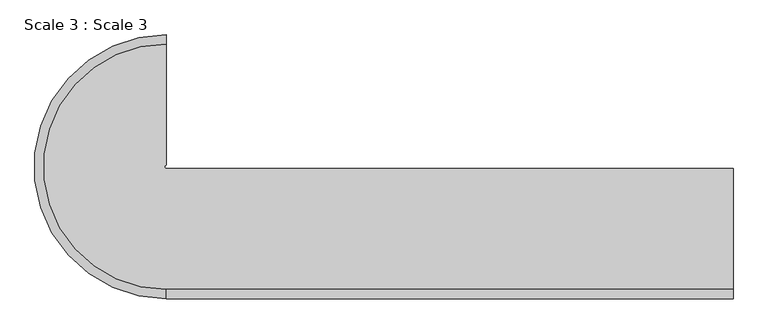
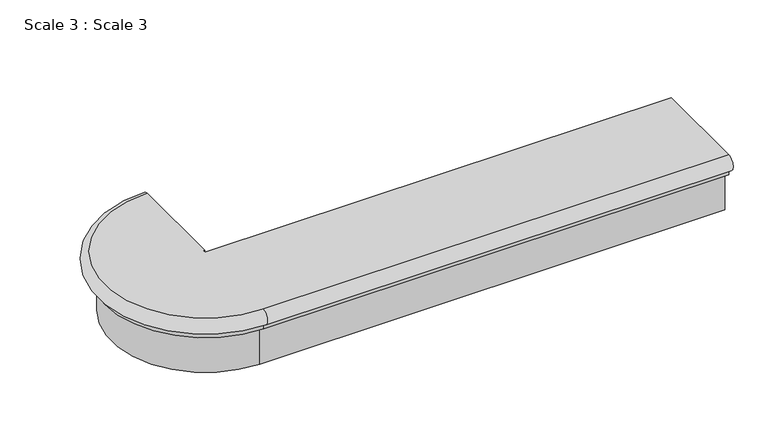
"""IFC4 building model written with IfcOpenShell, lengths in millimetres: stair geometry, Scale 3 : Scale 3."""

from ifc_helpers import new_model, si_unit, point, frame, origin, place, context, project, spatial, polyline, circle_curve, ellipse_curve, trimmed, source, transform, mapped, element, save
from ifc_brep_helpers import plane_surface, cylinder_surface, revolved_surface, advanced_brep


def scale_3_scale_3_ab04ab24(model_context):
    return source(origin(), model_context, "Body", "AdvancedBrep", [
        advanced_brep(
        [(-50322.8572763, 115990.8755295, -2279.5095124), (-50322.8572763, 115990.8755295, -2328.9274645), (-50322.8572763, 115990.8755295, -2346.8976289), (-50322.8572763, 116012.682958, -2346.8976289), (-50322.8572763, 116012.682958, -2479.5759079), (-50322.8572763, 116309.8459475, -2479.5759079), (-50322.8572763, 116309.8459475, -2279.5095124), (-51815.5203996, 115990.8755295, -2279.5095124), (-51815.5203996, 115990.8755295, -2328.9274645), (-51815.5203996, 115990.8755295, -2346.8976289), (-51815.5203996, 116637.6603276, -2346.8976289), (-51815.5203996, 116615.8528991, -2346.8976289), (-51815.5203996, 116012.682958, -2346.8976289), (-51815.5203996, 116012.682958, -2479.5759079), (-51815.5203996, 116615.8528991, -2479.5759079), (-51815.5203996, 116318.6899095, -2479.5759079), (-51815.5203996, 116309.8459475, -2479.5759079), (-51815.5203996, 116309.8459475, -2279.5095124), (-51815.5203996, 116318.6899095, -2279.5095124), (-51815.5203996, 116637.6603276, -2279.5095124), (-51815.5203996, 116637.6603276, -2328.9274645)],
        [
            (0, 1, circle_curve(frame((-50322.8572763, 115990.8755295, -2304.2184884), z_axis=(1.0, 0.0, 0.0), x_axis=(0.0, 1.0, 0.0)), 24.708976)),
            (1, 2),
            (2, 3),
            (3, 4),
            (4, 5),
            (5, 6),
            (6, 0),
            (0, 7),
            (7, 8, circle_curve(frame((-51815.5203996, 115990.8755295, -2304.2184884), z_axis=(1.0, 0.0, 0.0), x_axis=(0.0, 1.0, 0.0)), 24.708976)),
            (8, 1),
            (8, 9),
            (9, 2),
            (9, 10, circle_curve(frame((-51815.5203996, 116314.2679285, -2346.8976289), z_axis=(0.0, 0.0, -1.0), x_axis=(0.0, -1.0, 0.0)), 323.392399)),
            (10, 11),
            (11, 12, circle_curve(frame((-51815.5203996, 116314.2679285, -2346.8976289), z_axis=(0.0, 0.0, 1.0), x_axis=(0.0, -1.0, 0.0)), 301.5849706)),
            (12, 3),
            (12, 13),
            (13, 4),
            (13, 14, circle_curve(frame((-51815.5203996, 116314.2679285, -2479.5759079), z_axis=(0.0, 0.0, -1.0), x_axis=(0.0, -1.0, 0.0)), 301.5849706)),
            (14, 15),
            (15, 16, circle_curve(frame((-51815.5203996, 116314.2679285, -2479.5759079), z_axis=(0.0, 0.0, 1.0), x_axis=(0.0, -1.0, 0.0)), 4.421981)),
            (16, 5),
            (16, 17),
            (17, 6),
            (17, 18, circle_curve(frame((-51815.5203996, 116314.2679285, -2279.5095124), z_axis=(0.0, 0.0, -1.0), x_axis=(0.0, -1.0, 0.0)), 4.421981)),
            (18, 19),
            (19, 7, circle_curve(frame((-51815.5203996, 116314.2679285, -2279.5095124), z_axis=(0.0, 0.0, 1.0), x_axis=(0.0, -1.0, 0.0)), 323.392399)),
            (18, 15),
            (14, 11),
            (10, 20),
            (20, 19, circle_curve(frame((-51815.5203996, 116637.6603276, -2304.2184884), z_axis=(1.0, 0.0, 0.0), x_axis=(0.0, -1.0, 0.0)), 24.708976)),
            (20, 8, circle_curve(frame((-51815.5203996, 116314.2679285, -2328.9274645), z_axis=(0.0, 0.0, 1.0), x_axis=(0.0, -1.0, 0.0)), 323.392399)),
        ],
        [
            plane_surface(frame((-50322.8572763, 116012.682958, -1500.0), z_axis=(1.0, 0.0, 0.0), x_axis=(0.0, 0.0, 1.0))),
            cylinder_surface(frame((-50322.8572763, 115990.8755295, -2304.2184884), z_axis=(1.0, 0.0, 0.0), x_axis=(0.0, 1.0, 0.0)), 24.708976),
            plane_surface(frame((-50322.8572763, 115990.8755295, -2328.9274645), z_axis=(0.0, -1.0, 0.0), x_axis=(-1.0, 0.0, 0.0))),
            plane_surface(frame((-50322.8572763, 115990.8755295, -2346.8976289), z_axis=(0.0, 0.0, -1.0), x_axis=(-1.0, 0.0, 0.0))),
            plane_surface(frame((-50322.8572763, 116012.682958, -2346.8976289), z_axis=(0.0, -1.0, 0.0), x_axis=(-1.0, 0.0, 0.0))),
            plane_surface(frame((-50322.8572763, 116012.682958, -2479.5759079), z_axis=(0.0, 0.0, -1.0), x_axis=(-1.0, 0.0, 0.0))),
            plane_surface(frame((-50322.8572763, 116309.8459475, -2479.5759079), z_axis=(0.0, 1.0, 0.0), x_axis=(-1.0, 0.0, 0.0))),
            plane_surface(frame((-50322.8572763, 116309.8459475, -2279.5095124), z_axis=(0.0, 0.0, 1.0), x_axis=(-1.0, 0.0, 0.0))),
            plane_surface(frame((-51815.5203996, 116615.8528991, -1500.0), z_axis=(1.0, 0.0, 0.0), x_axis=(0.0, 0.0, 1.0))),
            revolved_surface(trimmed(ellipse_curve(frame((-51815.5203996, 115990.8755295, -2304.2184884), z_axis=(1.0, 0.0, 0.0), x_axis=(0.0, 1.0, 0.0)), 24.708976, 24.708976), [point((-51815.5203996, 115990.8755295, -2279.5095124))], [point((-51815.5203996, 115990.8755295, -2328.9274645))], True, "CARTESIAN"), (-51815.5203996, 116314.2679285, -1500.0), (0.0, 0.0, -1.0)),
            cylinder_surface(frame((-51815.5203996, 116314.2679285, -1500.0), z_axis=(0.0, 0.0, -1.0), x_axis=(0.0, -1.0, 0.0)), 323.392399),
            cylinder_surface(frame((-51815.5203996, 116314.2679285, -1500.0), z_axis=(0.0, 0.0, -1.0), x_axis=(0.0, -1.0, 0.0)), 301.5849706),
            revolved_surface(polyline([(-51815.5203996, 116309.8459475, -2479.5759079), (-51815.5203996, 116309.8459475, -2279.5095124)]), (-51815.5203996, 116314.2679285, -1500.0), (0.0, 0.0, -1.0)),
        ],
        [
            (0, [[1, 2, 3, 4, 5, 6, 7]]),
            (1, [[-1, 8, 9, 10]]),
            (2, [[-2, -10, 11, 12]]),
            (3, [[-3, -12, 13, 14, 15, 16]]),
            (4, [[-4, -16, 17, 18]]),
            (5, [[-5, -18, 19, 20, 21, 22]]),
            (6, [[-6, -22, 23, 24]]),
            (7, [[-7, -24, 25, 26, 27, -8]]),
            (8, [[-26, 28, -20, 29, -14, 30, 31]]),
            (9, [[32, -9, -27, -31]]),
            (10, [[-13, -11, -32, -30]]),
            (11, [[-19, -17, -15, -29]]),
            (12, [[-25, -23, -21, -28]]),
        ],
    ),
    ])


if __name__ == "__main__":
    model = new_model("IFC4")
    model_context = context("Model", 3, world=origin())
    ifc_project = project(units=[si_unit("LENGTHUNIT", "METRE", prefix="MILLI")], contexts=[model_context])
    site = spatial("IfcSite", under=ifc_project)
    building = spatial("IfcBuilding", under=site)
    placement = place(None, origin())
    scale_3_scale_3_shape = scale_3_scale_3_ab04ab24(model_context)
    element("IfcStair", 1, ObjectType="Scale 3 : Scale 3", at=placement, inside=building, context=model_context, shape_type="MappedRepresentation", body=[
        mapped(scale_3_scale_3_shape, transform((0.0, 0.0, 0.0), x_axis=(1.0, 0.0, 0.0), y_axis=(0.0, 1.0, 0.0), z_axis=(0.0, 0.0, 1.0))),
    ])
    save(model, "model.ifc")
